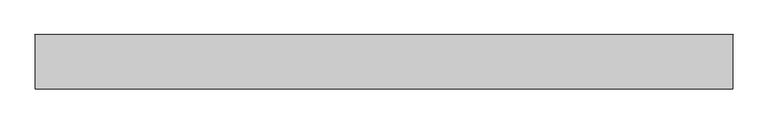
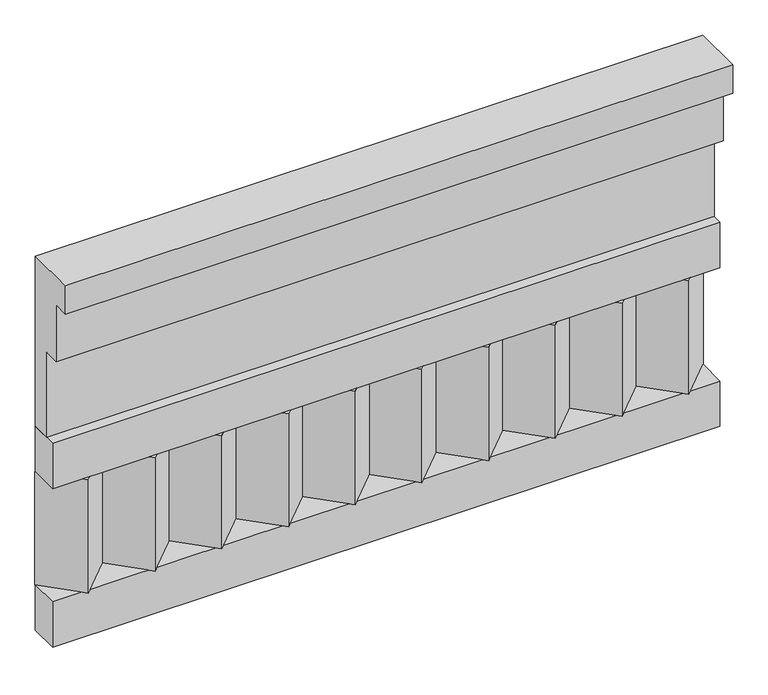
"""IFC4 building model written with IfcOpenShell, lengths in millimetres: railing geometry."""

from ifc_helpers import new_model, si_unit, frame, origin, place, context, project, spatial, polyline, outline, extrude, source, transform, mapped, element, save


def railing_970dd852(model_context):
    return source(origin(), model_context, "Body", "SweptSolid", [
        extrude(outline(polyline([(-16816.8920513, 21800.0), (-16816.8920513, 21350.0), (-16866.8920513, 21350.0), (-16866.8920513, 21575.0), (-16906.8920513, 21575.0), (-16906.8920513, 21725.0), (-16946.8920513, 21725.0), (-16946.8920513, 21800.0), (-16816.8920513, 21800.0)])), frame((-22709.9887159, 0.0, 0.0), z_axis=(1.0, 0.0, 0.0), x_axis=(0.0, 1.0, 0.0)), (0.0, 0.0, 1.0), 1670.0),
        extrude(outline(polyline([(-22709.9887159, -16891.8920513), (-22709.9887159, -16816.8920513), (-21039.9887159, -16816.8920513), (-21039.9887159, -16891.8920513), (-22709.9887159, -16891.8920513)])), frame((0.0, 0.0, 21230.0), z_axis=(0.0, 0.0, 1.0), x_axis=(1.0, 0.0, 0.0)), (0.0, 0.0, 1.0), 120.0),
        extrude(outline(polyline([(-22709.9887159, -16891.8920513), (-22709.9887159, -16816.8920513), (-21039.9887159, -16816.8920513), (-21039.9887159, -16891.8920513), (-22709.9887159, -16891.8920513)])), frame((0.0, 0.0, 20810.0), z_axis=(0.0, 0.0, 1.0), x_axis=(1.0, 0.0, 0.0)), (0.0, 0.0, 1.0), 120.0),
        extrude(outline(polyline([(-21123.4887159, -16901.7448651), (-21208.3415296, -16816.8920513), (-21038.6359022, -16816.8920513), (-21123.4887159, -16901.7448651)])), frame((0.0, 0.0, 20930.0), z_axis=(0.0, 0.0, 1.0), x_axis=(1.0, 0.0, 0.0)), (0.0, 0.0, 1.0), 300.0),
        extrude(outline(polyline([(-21290.4887159, -16901.7448651), (-21375.3415296, -16816.8920513), (-21205.6359022, -16816.8920513), (-21290.4887159, -16901.7448651)])), frame((0.0, 0.0, 20930.0), z_axis=(0.0, 0.0, 1.0), x_axis=(1.0, 0.0, 0.0)), (0.0, 0.0, 1.0), 300.0),
        extrude(outline(polyline([(-21457.4887159, -16901.7448651), (-21542.3415296, -16816.8920513), (-21372.6359022, -16816.8920513), (-21457.4887159, -16901.7448651)])), frame((0.0, 0.0, 20930.0), z_axis=(0.0, 0.0, 1.0), x_axis=(1.0, 0.0, 0.0)), (0.0, 0.0, 1.0), 300.0),
        extrude(outline(polyline([(-21624.4887159, -16901.7448651), (-21709.3415296, -16816.8920513), (-21539.6359022, -16816.8920513), (-21624.4887159, -16901.7448651)])), frame((0.0, 0.0, 20930.0), z_axis=(0.0, 0.0, 1.0), x_axis=(1.0, 0.0, 0.0)), (0.0, 0.0, 1.0), 300.0),
        extrude(outline(polyline([(-21791.4887159, -16901.7448651), (-21876.3415296, -16816.8920513), (-21706.6359022, -16816.8920513), (-21791.4887159, -16901.7448651)])), frame((0.0, 0.0, 20930.0), z_axis=(0.0, 0.0, 1.0), x_axis=(1.0, 0.0, 0.0)), (0.0, 0.0, 1.0), 300.0),
        extrude(outline(polyline([(-21958.4887159, -16901.7448651), (-22043.3415296, -16816.8920513), (-21873.6359022, -16816.8920513), (-21958.4887159, -16901.7448651)])), frame((0.0, 0.0, 20930.0), z_axis=(0.0, 0.0, 1.0), x_axis=(1.0, 0.0, 0.0)), (0.0, 0.0, 1.0), 300.0),
        extrude(outline(polyline([(-22125.4887159, -16901.7448651), (-22210.3415296, -16816.8920513), (-22040.6359022, -16816.8920513), (-22125.4887159, -16901.7448651)])), frame((0.0, 0.0, 20930.0), z_axis=(0.0, 0.0, 1.0), x_axis=(1.0, 0.0, 0.0)), (0.0, 0.0, 1.0), 300.0),
        extrude(outline(polyline([(-22292.4887159, -16901.7448651), (-22377.3415296, -16816.8920513), (-22207.6359022, -16816.8920513), (-22292.4887159, -16901.7448651)])), frame((0.0, 0.0, 20930.0), z_axis=(0.0, 0.0, 1.0), x_axis=(1.0, 0.0, 0.0)), (0.0, 0.0, 1.0), 300.0),
        extrude(outline(polyline([(-22459.4887159, -16901.7448651), (-22544.3415296, -16816.8920513), (-22374.6359022, -16816.8920513), (-22459.4887159, -16901.7448651)])), frame((0.0, 0.0, 20930.0), z_axis=(0.0, 0.0, 1.0), x_axis=(1.0, 0.0, 0.0)), (0.0, 0.0, 1.0), 300.0),
        extrude(outline(polyline([(-22626.4887159, -16901.7448651), (-22711.3415296, -16816.8920513), (-22541.6359022, -16816.8920513), (-22626.4887159, -16901.7448651)])), frame((0.0, 0.0, 20930.0), z_axis=(0.0, 0.0, 1.0), x_axis=(1.0, 0.0, 0.0)), (0.0, 0.0, 1.0), 300.0),
    ])


if __name__ == "__main__":
    model = new_model("IFC4")
    model_context = context("Model", 3, world=origin())
    ifc_project = project(units=[si_unit("LENGTHUNIT", "METRE", prefix="MILLI")], contexts=[model_context])
    site = spatial("IfcSite", under=ifc_project)
    building = spatial("IfcBuilding", under=site)
    placement = place(None, origin())
    railing_shape = railing_970dd852(model_context)
    element("IfcRailing", 1, at=placement, inside=building, context=model_context, shape_type="MappedRepresentation", body=[
        mapped(railing_shape, transform((0.0, 0.0, 0.0), x_axis=(1.0, 0.0, 0.0), y_axis=(0.0, 1.0, 0.0), z_axis=(0.0, 0.0, 1.0))),
    ])
    save(model, "model.ifc")
